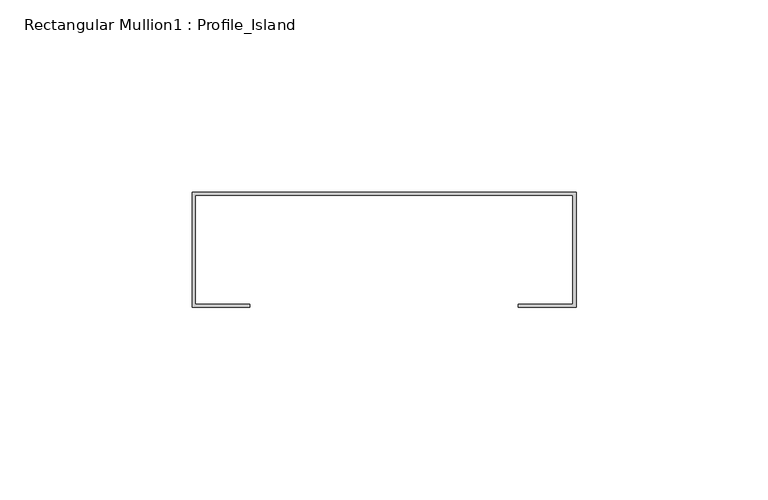
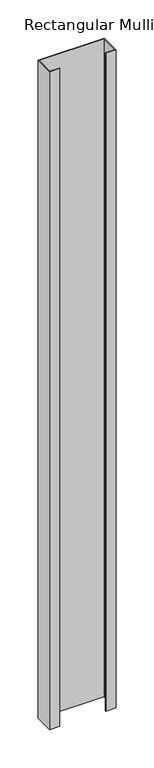
"""IFC4 building model written with IfcOpenShell, lengths in millimetres: member geometry, Rectangular Mullion1 : Profile_Island."""

from ifc_helpers import new_model, si_unit, frame, origin, place, context, project, spatial, polyline, outline, extrude, source, transform, mapped, element, save


def rectangular_mullion1_profile_island_93117e50(model_context):
    return source(origin(), model_context, "Body", "SweptSolid", [
        extrude(outline(polyline([(50.0, 32.0), (50.0, 2.0), (35.0, 2.0), (35.0, 2.8), (49.2, 2.8), (49.2, 31.2), (-49.2, 31.2), (-49.2, 2.8), (-35.0, 2.8), (-35.0, 2.0), (-50.0, 2.0), (-50.0, 32.0), (50.0, 32.0)])), frame((0.0, 0.0, -1050.0), z_axis=(0.0, 0.0, 1.0), x_axis=(1.0, 0.0, 0.0)), (0.0, 0.0, 1.0), 1050.0),
    ])


if __name__ == "__main__":
    model = new_model("IFC4")
    model_context = context("Model", 3, world=origin())
    ifc_project = project(units=[si_unit("LENGTHUNIT", "METRE", prefix="MILLI")], contexts=[model_context])
    site = spatial("IfcSite", under=ifc_project)
    building = spatial("IfcBuilding", under=site)
    placement = place(None, origin())
    rectangular_mullion1_profile_island_shape = rectangular_mullion1_profile_island_93117e50(model_context)
    element("IfcMember", 1, ObjectType="Rectangular Mullion1 : Profile_Island", at=placement, inside=building, context=model_context, shape_type="MappedRepresentation", body=[
        mapped(rectangular_mullion1_profile_island_shape, transform((0.0, 0.0, 0.0), x_axis=(1.0, 0.0, 0.0), y_axis=(0.0, 1.0, 0.0), z_axis=(0.0, 0.0, 1.0))),
    ])
    save(model, "model.ifc")
